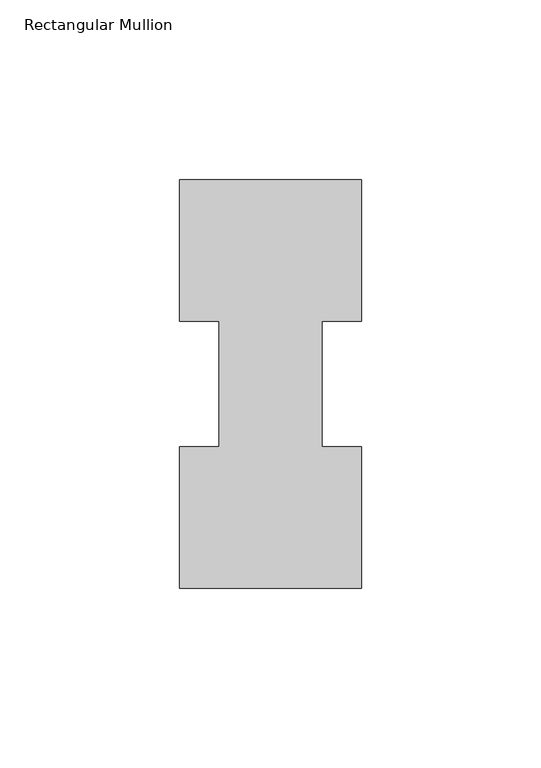
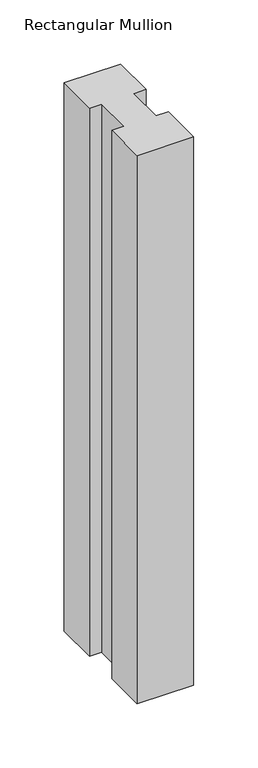
"""IFC4 building model written with IfcOpenShell, lengths in millimetres: member geometry, Rectangular Mullion."""

from ifc_helpers import new_model, si_unit, frame, origin, place, context, project, spatial, polyline, outline, extrude, source, transform, mapped, element, save


def rectangular_mullion_f4432c14(model_context):
    return source(origin(), model_context, "Body", "SweptSolid", [
        extrude(outline(polyline([(-50.8, 114.017425), (0.0, 114.017425), (0.0, 74.596625), (-11.0998, 74.596625), (-11.0998, 39.646225), (0.0, 39.646225), (0.0, 0.225425), (-50.8, 0.225425), (-50.8, 39.646225), (-39.6875, 39.646225), (-39.6875, 74.596625), (-50.8, 74.596625), (-50.8, 114.017425)])), frame((0.0, 0.0, -520.7), z_axis=(0.0, 0.0, 1.0), x_axis=(1.0, 0.0, 0.0)), (0.0, 0.0, 1.0), 520.7),
    ])


if __name__ == "__main__":
    model = new_model("IFC4")
    model_context = context("Model", 3, world=origin())
    ifc_project = project(units=[si_unit("LENGTHUNIT", "METRE", prefix="MILLI")], contexts=[model_context])
    site = spatial("IfcSite", under=ifc_project)
    building = spatial("IfcBuilding", under=site)
    placement = place(None, origin())
    rectangular_mullion_shape = rectangular_mullion_f4432c14(model_context)
    element("IfcMember", 1, ObjectType="Rectangular Mullion", at=placement, inside=building, context=model_context, shape_type="MappedRepresentation", body=[
        mapped(rectangular_mullion_shape, transform((0.0, 0.0, 0.0), x_axis=(1.0, 0.0, 0.0), y_axis=(0.0, 1.0, 0.0), z_axis=(0.0, 0.0, 1.0))),
    ])
    save(model, "model.ifc")
